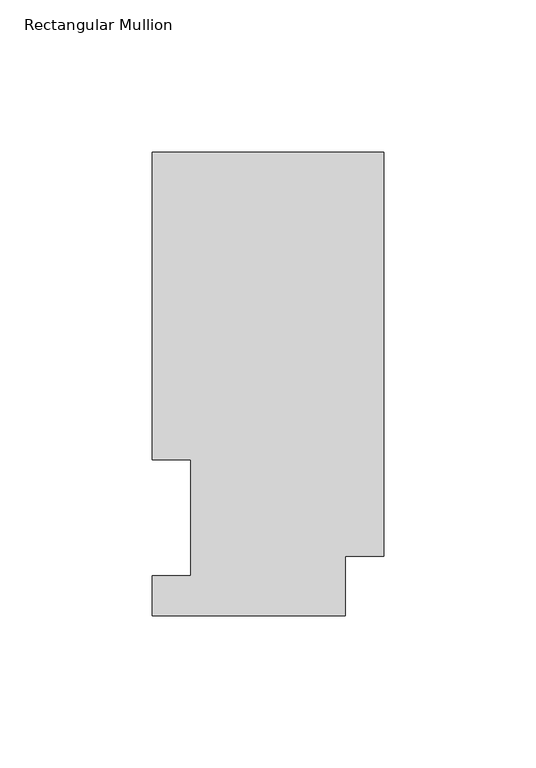
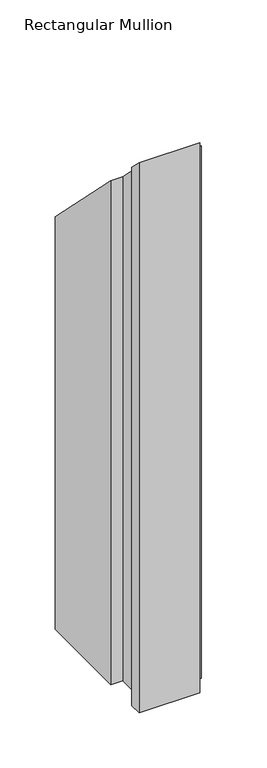
"""IFC4 building model written with IfcOpenShell, lengths in millimetres: member geometry, Rectangular Mullion."""

from ifc_helpers import new_model, si_unit, origin, place, context, project, spatial, faceted_brep, source, transform, mapped, element, save


def rectangular_mullion_19573803(model_context):
    return source(origin(), model_context, "Body", "Brep", [
        faceted_brep([(-76.2, 13.1960938, -609.6), (-63.5127, 13.1960938, -609.6), (-63.5127, 51.2960938, -609.6), (-76.2, 51.2960938, -609.6), (-76.2, 152.4896938, -609.6), (0.0, 152.4896938, -609.6), (0.0, 19.5460937, -609.6), (-12.7, 19.5460937, -609.6), (-12.7, 0.0134938, -609.6), (-76.2, 0.0134938, -609.6), (-76.2, 0.0134938, -0.0134938), (-76.2, 13.1960938, -13.1960938), (-12.7, 0.0134938, -0.0134938), (-12.7, 19.5460937, -19.5460937), (0.0, 19.5460937, -19.5460937), (0.0, 152.4896938, -152.4896937), (-76.2, 152.4896938, -152.4896937), (-76.2, 51.2960938, -51.2960937), (-63.5127, 51.2960938, -51.2960937), (-63.5127, 13.1960938, -13.1960938)], [[[0, 1, 2, 3, 4, 5, 6, 7, 8, 9]], [[10, 11, 0, 9]], [[12, 10, 9, 8]], [[13, 12, 8, 7]], [[14, 13, 7, 6]], [[15, 14, 6, 5]], [[16, 15, 5, 4]], [[17, 16, 4, 3]], [[18, 17, 3, 2]], [[19, 18, 2, 1]], [[11, 19, 1, 0]], [[11, 10, 12, 13, 14, 15, 16, 17, 18, 19]]]),
    ])


if __name__ == "__main__":
    model = new_model("IFC4")
    model_context = context("Model", 3, world=origin())
    ifc_project = project(units=[si_unit("LENGTHUNIT", "METRE", prefix="MILLI")], contexts=[model_context])
    site = spatial("IfcSite", under=ifc_project)
    building = spatial("IfcBuilding", under=site)
    placement = place(None, origin())
    rectangular_mullion_shape = rectangular_mullion_19573803(model_context)
    element("IfcMember", 1, ObjectType="Rectangular Mullion", at=placement, inside=building, context=model_context, shape_type="MappedRepresentation", body=[
        mapped(rectangular_mullion_shape, transform((0.0, 0.0, 0.0), x_axis=(1.0, 0.0, 0.0), y_axis=(0.0, 1.0, 0.0), z_axis=(0.0, 0.0, 1.0))),
    ])
    save(model, "model.ifc")
